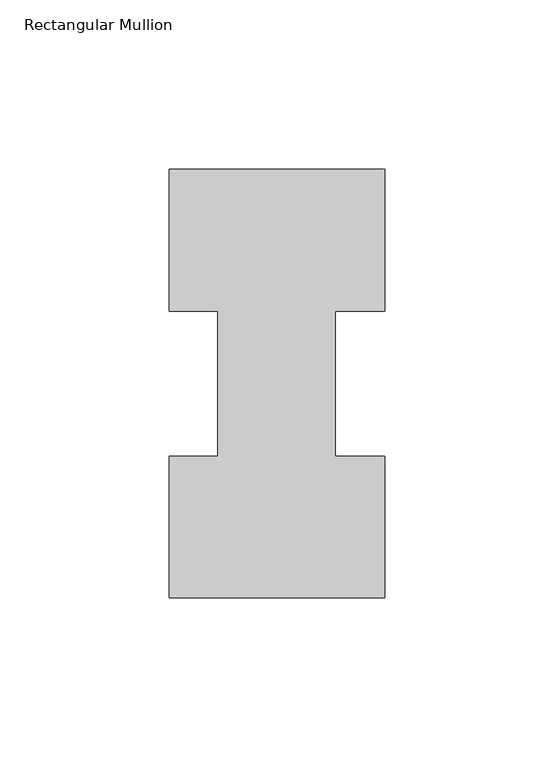
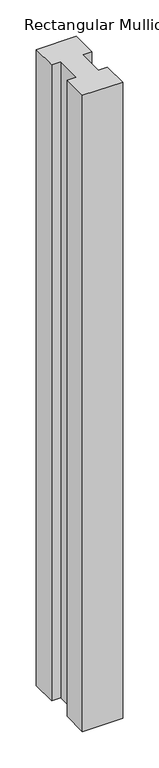
"""IFC4 building model written with IfcOpenShell, lengths in millimetres: member geometry, Rectangular Mullion."""

from ifc_helpers import new_model, si_unit, frame, origin, place, context, project, spatial, polyline, outline, extrude, source, transform, mapped, element, save


def rectangular_mullion_44166cc7(model_context):
    return source(origin(), model_context, "Body", "SweptSolid", [
        extrude(outline(polyline([(-63.5, -0.0373062), (-63.5, 41.7837937), (-49.2125, 41.7837937), (-49.2125, 84.6335938), (-63.5, 84.6335938), (-63.5, 126.4546937), (0.0, 126.4546938), (0.0, 84.6335938), (-14.4999808, 84.6335938), (-14.4999808, 41.7837937), (0.0, 41.7837937), (0.0, -0.0373062), (-63.5, -0.0373062)])), frame((0.0, 0.0, -1066.5086938), z_axis=(0.0, 0.0, 1.0), x_axis=(1.0, 0.0, 0.0)), (0.0, 0.0, 1.0), 1066.5086938),
    ])


if __name__ == "__main__":
    model = new_model("IFC4")
    model_context = context("Model", 3, world=origin())
    ifc_project = project(units=[si_unit("LENGTHUNIT", "METRE", prefix="MILLI")], contexts=[model_context])
    site = spatial("IfcSite", under=ifc_project)
    building = spatial("IfcBuilding", under=site)
    placement = place(None, origin())
    rectangular_mullion_shape = rectangular_mullion_44166cc7(model_context)
    element("IfcMember", 1, ObjectType="Rectangular Mullion", at=placement, inside=building, context=model_context, shape_type="MappedRepresentation", body=[
        mapped(rectangular_mullion_shape, transform((0.0, 0.0, 0.0), x_axis=(1.0, 0.0, 0.0), y_axis=(0.0, 1.0, 0.0), z_axis=(0.0, 0.0, 1.0))),
    ])
    save(model, "model.ifc")
